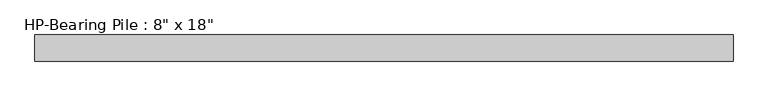
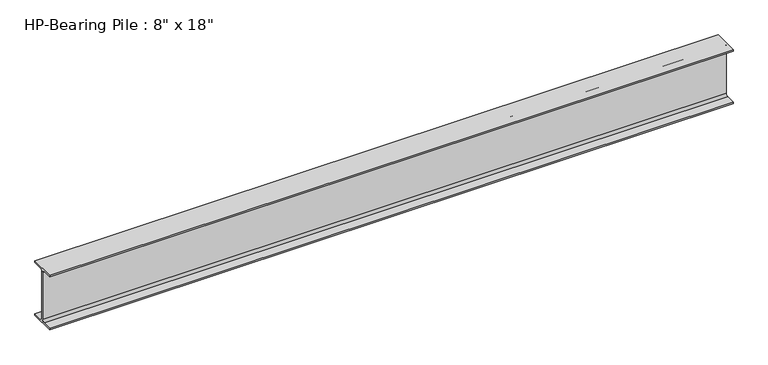
"""IFC4 building model written with IfcOpenShell, lengths in millimetres: beam geometry."""

from ifc_helpers import new_model, si_unit, point, frame, frame_2d, origin, place, context, project, spatial, polyline, circle_curve, trimmed, segment, composite_curve, outline, extrude, source, transform, mapped, element, save


def beam_b752c799(model_context):
    return source(origin(), model_context, "Body", "SweptSolid", [
        extrude(outline(composite_curve([segment(polyline([(101.6, -215.503125), (101.6, -228.6), (-101.6, -228.6), (-101.6, -215.503125), (-25.2015625, -215.503125)]), True, "CONTINUOUS"), segment(trimmed(circle_curve(frame_2d((-25.2015625, -196.85)), 18.653125), [point((-25.2015625, -215.503125))], [point((-6.5484375, -196.85))], True, "CARTESIAN"), True, "CONTINUOUS"), segment(polyline([(-6.5484375, -196.85), (-6.5484375, 196.85)]), True, "CONTINUOUS"), segment(trimmed(circle_curve(frame_2d((-25.2015625, 196.85)), 18.653125), [point((-6.5484375, 196.85))], [point((-25.2015625, 215.503125))], True, "CARTESIAN"), True, "CONTINUOUS"), segment(polyline([(-25.2015625, 215.503125), (-101.6, 215.503125), (-101.6, 228.6), (101.6, 228.6), (101.6, 215.503125), (25.2015625, 215.503125)]), True, "CONTINUOUS"), segment(trimmed(circle_curve(frame_2d((25.2015625, 196.85)), 18.653125), [point((25.2015625, 215.503125))], [point((6.5484375, 196.85))], True, "CARTESIAN"), True, "CONTINUOUS"), segment(polyline([(6.5484375, 196.85), (6.5484375, -196.85)]), True, "CONTINUOUS"), segment(trimmed(circle_curve(frame_2d((25.2015625, -196.85)), 18.653125), [point((6.5484375, -196.85))], [point((25.2015625, -215.503125))], True, "CARTESIAN"), True, "CONTINUOUS"), segment(polyline([(25.2015625, -215.503125), (101.6, -215.503125)]), True, "CONTINUOUS")], self_intersect=False)), frame((-2717.8, 0.0, 0.0), z_axis=(1.0, 0.0, 0.0), x_axis=(0.0, 1.0, 0.0)), (0.0, 0.0, 1.0), 5435.6),
    ])


if __name__ == "__main__":
    model = new_model("IFC4")
    model_context = context("Model", 3, world=origin())
    ifc_project = project(units=[si_unit("LENGTHUNIT", "METRE", prefix="MILLI")], contexts=[model_context])
    site = spatial("IfcSite", under=ifc_project)
    building = spatial("IfcBuilding", under=site)
    placement = place(None, origin())
    beam_shape = beam_b752c799(model_context)
    element("IfcBeam", 1, ObjectType="HP-Bearing Pile : 8\" x 18\"", at=placement, inside=building, context=model_context, shape_type="MappedRepresentation", body=[
        mapped(beam_shape, transform((0.0, 0.0, 0.0), x_axis=(1.0, 0.0, 0.0), y_axis=(0.0, 1.0, 0.0), z_axis=(0.0, 0.0, 1.0))),
    ])
    save(model, "model.ifc")
